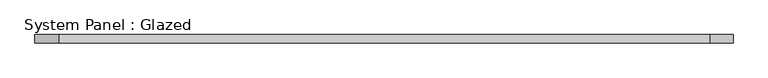
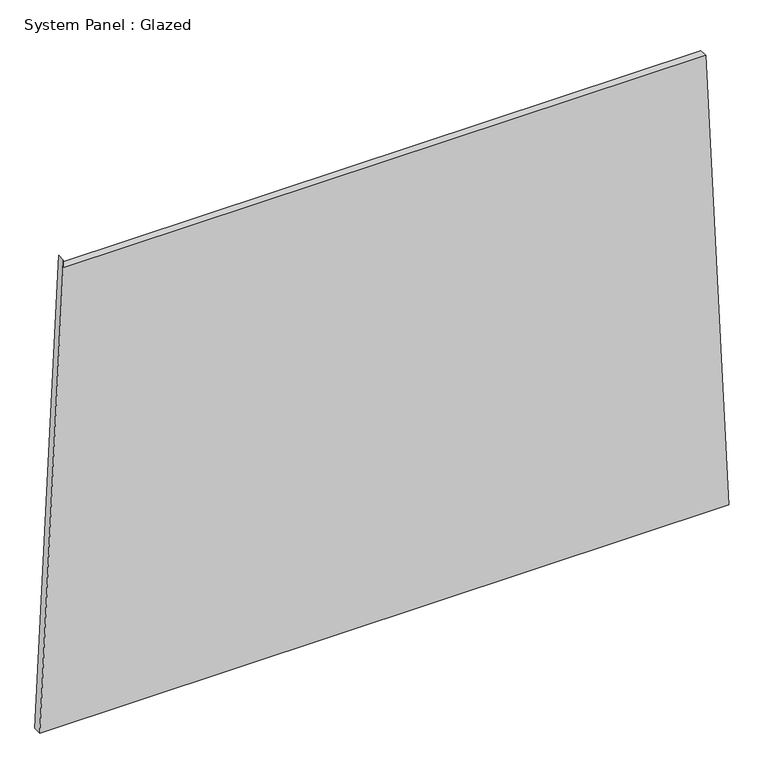
"""IFC4 building model written with IfcOpenShell, lengths in millimetres: plate geometry, System Panel : Glazed."""

from ifc_helpers import new_model, si_unit, frame, origin, place, context, project, spatial, polyline, outline, extrude, source, transform, mapped, element, save


def system_panel_glazed_60b0f3a9(model_context):
    return source(origin(), model_context, "Body", "SweptSolid", [
        extrude(outline(polyline([(0.0, -1032.3006192), (0.0, 1032.3006192), (1448.262993, 962.5422637), (1448.2628241, -961.3337025), (1473.2628241, -961.3337047), (0.0, -1032.3006192)])), frame((0.0, -49.5, 0.0), z_axis=(0.0, 1.0, 0.0), x_axis=(0.0, 0.0, 1.0)), (0.0, 0.0, 1.0), 25.0),
    ])


if __name__ == "__main__":
    model = new_model("IFC4")
    model_context = context("Model", 3, world=origin())
    ifc_project = project(units=[si_unit("LENGTHUNIT", "METRE", prefix="MILLI")], contexts=[model_context])
    site = spatial("IfcSite", under=ifc_project)
    building = spatial("IfcBuilding", under=site)
    placement = place(None, origin())
    system_panel_glazed_shape = system_panel_glazed_60b0f3a9(model_context)
    element("IfcPlate", 1, ObjectType="System Panel : Glazed", at=placement, inside=building, context=model_context, shape_type="MappedRepresentation", body=[
        mapped(system_panel_glazed_shape, transform((0.0, 0.0, 0.0), x_axis=(1.0, 0.0, 0.0), y_axis=(0.0, 1.0, 0.0), z_axis=(0.0, 0.0, 1.0))),
    ])
    save(model, "model.ifc")
